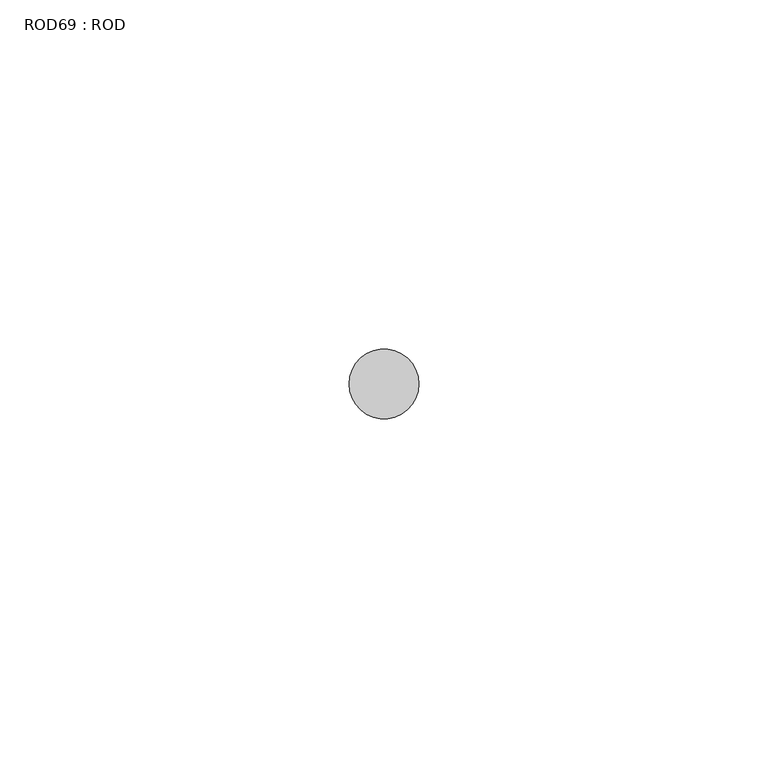
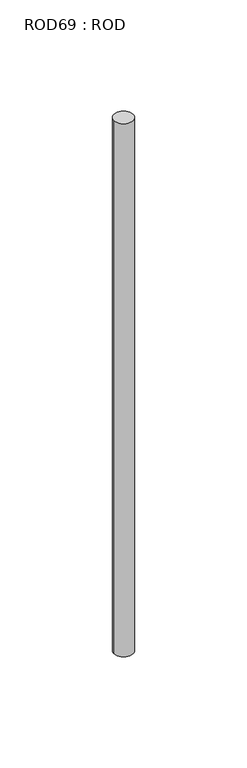
"""IFC4 building model written with IfcOpenShell, lengths in millimetres: proxy geometry, ROD69 : ROD."""

from ifc_helpers import new_model, si_unit, point, frame, frame_2d, origin, place, context, project, spatial, circle_curve, trimmed, segment, composite_curve, outline, extrude, source, transform, mapped, element, save


def rod69_rod_073e5149(model_context):
    return source(origin(), model_context, "Body", "SweptSolid", [
        extrude(outline(composite_curve([segment(trimmed(circle_curve(frame_2d((-3200.2326676, -10466.6028424)), 5.0), [point((-3205.2326676, -10466.6028424))], [point((-3195.2326676, -10466.6028424))], False, "CARTESIAN"), True, "CONTINUOUS"), segment(trimmed(circle_curve(frame_2d((-3200.2326676, -10466.6028424)), 5.0), [point((-3195.2326676, -10466.6028424))], [point((-3205.2326676, -10466.6028424))], False, "CARTESIAN"), True, "CONTINUOUS")], self_intersect=False)), frame((0.0, 0.0, -108.6608845), z_axis=(0.0, 0.0, 1.0), x_axis=(1.0, 0.0, 0.0)), (0.0, 0.0, 1.0), 298.9028972),
    ])


if __name__ == "__main__":
    model = new_model("IFC4")
    model_context = context("Model", 3, world=origin())
    ifc_project = project(units=[si_unit("LENGTHUNIT", "METRE", prefix="MILLI")], contexts=[model_context])
    site = spatial("IfcSite", under=ifc_project)
    building = spatial("IfcBuilding", under=site)
    placement = place(None, origin())
    rod69_rod_shape = rod69_rod_073e5149(model_context)
    element("IfcBuildingElementProxy", 1, Name="ROD69 : ROD", ObjectType="ROD69 : ROD", at=placement, inside=building, context=model_context, shape_type="MappedRepresentation", body=[
        mapped(rod69_rod_shape, transform((0.0, 0.0, 0.0), x_axis=(1.0, 0.0, 0.0), y_axis=(0.0, 1.0, 0.0), z_axis=(0.0, 0.0, 1.0))),
    ])
    save(model, "model.ifc")
